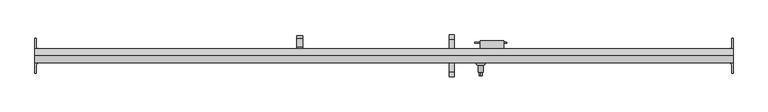
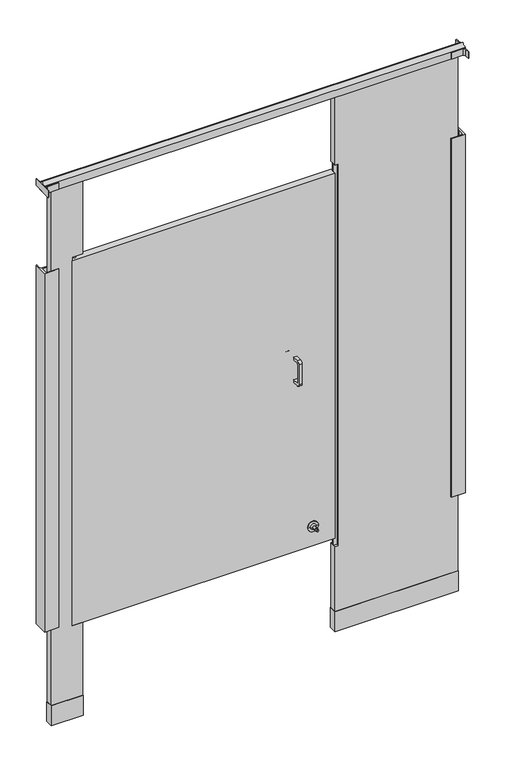
"""IFC4 building model written with IfcOpenShell, lengths in millimetres: proxy geometry."""

from ifc_helpers import new_model, si_unit, point, frame, frame_2d, origin, origin_with_axes, place, context, project, spatial, polyline, circle_curve, ellipse_curve, trimmed, segment, composite_curve, outline, extrude, source, transform, mapped, element, save
from ifc_brep_helpers import plane_surface, cylinder_surface, revolved_surface, advanced_brep


def specialty_equipment_47255b2a(model_context):
    return source(origin(), model_context, "Body", "SolidModel", [
        extrude(outline(composite_curve([segment(trimmed(circle_curve(frame_2d((307.0354547, -1533.525)), 4.1602747), [point((311.1957294, -1533.525))], [point((302.87518, -1533.525))], False, "CARTESIAN"), True, "CONTINUOUS"), segment(trimmed(circle_curve(frame_2d((307.0354547, -1533.525)), 4.1602747), [point((302.87518, -1533.525))], [point((311.1957294, -1533.525))], False, "CARTESIAN"), True, "CONTINUOUS")], self_intersect=False)), frame((0.0, 0.0, 1752.6), z_axis=(0.0, 0.0, 1.0), x_axis=(1.0, 0.0, 0.0)), (0.0, 0.0, 1.0), 12.7),
        extrude(outline(polyline([(1220.2932592, -1506.2050203), (1150.2733709, -1506.2050203), (1150.2733709, -1503.2324847), (1220.2932592, -1503.2324847), (1220.2932592, -1506.2050203)])), frame((0.0, 0.0, 1041.4), z_axis=(0.0, 0.0, 1.0), x_axis=(1.0, 0.0, 0.0)), (0.0, 0.0, 1.0), 25.4),
        extrude(outline(composite_curve([segment(trimmed(circle_curve(frame_2d((-1497.9641724, 1092.2)), 10.16), [point((-1497.9641724, 1102.36))], [point((-1487.8041724, 1092.2))], False, "CARTESIAN"), True, "CONTINUOUS"), segment(polyline([(-1487.8041724, 1092.2), (-1487.8041724, 1016.0)]), True, "CONTINUOUS"), segment(trimmed(circle_curve(frame_2d((-1497.9641724, 1016.0)), 10.16), [point((-1487.8041724, 1016.0))], [point((-1497.9641724, 1005.84))], False, "CARTESIAN"), True, "CONTINUOUS"), segment(polyline([(-1497.9641724, 1005.84), (-1520.8241724, 1005.84), (-1520.8241724, 1016.0), (-1497.9641724, 1016.0)]), True, "CONTINUOUS"), segment(trimmed(circle_curve(frame_2d((-1497.9641724, 1018.54)), 2.54), [point((-1497.9641724, 1016.0))], [point((-1495.4241724, 1018.54))], True, "CARTESIAN"), True, "CONTINUOUS"), segment(polyline([(-1495.4241724, 1018.54), (-1495.4241724, 1089.66)]), True, "CONTINUOUS"), segment(trimmed(circle_curve(frame_2d((-1497.9641724, 1089.66)), 2.54), [point((-1495.4241724, 1089.66))], [point((-1497.9641724, 1092.2))], True, "CARTESIAN"), True, "CONTINUOUS"), segment(polyline([(-1497.9641724, 1092.2), (-1520.8241724, 1092.2), (-1520.8241724, 1102.36), (-1497.9641724, 1102.36)]), True, "CONTINUOUS")], self_intersect=False)), frame((1094.4120131, 0.0, 0.0), z_axis=(1.0, 0.0, 0.0), x_axis=(0.0, 1.0, 0.0)), (0.0, 0.0, 1.0), 11.4113578),
        extrude(outline(composite_curve([segment(polyline([(-1569.085, 1102.36), (-1546.225, 1102.36), (-1546.225, 1092.2), (-1569.085, 1092.2)]), True, "CONTINUOUS"), segment(trimmed(circle_curve(frame_2d((-1569.085, 1089.66)), 2.54), [point((-1569.085, 1092.2))], [point((-1571.625, 1089.66))], True, "CARTESIAN"), True, "CONTINUOUS"), segment(polyline([(-1571.625, 1089.66), (-1571.625, 1018.54)]), True, "CONTINUOUS"), segment(trimmed(circle_curve(frame_2d((-1569.085, 1018.54)), 2.54), [point((-1571.625, 1018.54))], [point((-1569.085, 1016.0))], True, "CARTESIAN"), True, "CONTINUOUS"), segment(polyline([(-1569.085, 1016.0), (-1546.225, 1016.0), (-1546.225, 1005.84), (-1569.085, 1005.84)]), True, "CONTINUOUS"), segment(trimmed(circle_curve(frame_2d((-1569.085, 1016.0)), 10.16), [point((-1569.085, 1005.84))], [point((-1579.245, 1016.0))], False, "CARTESIAN"), True, "CONTINUOUS"), segment(polyline([(-1579.245, 1016.0), (-1579.245, 1092.2)]), True, "CONTINUOUS"), segment(trimmed(circle_curve(frame_2d((-1569.085, 1092.2)), 10.16), [point((-1579.245, 1092.2))], [point((-1569.085, 1102.36))], False, "CARTESIAN"), True, "CONTINUOUS")], self_intersect=False)), frame((1094.4120131, 0.0, 0.0), z_axis=(1.0, 0.0, 0.0), x_axis=(0.0, 1.0, 0.0)), (0.0, 0.0, 1.0), 11.4113578),
        extrude(outline(polyline([(-1520.8241724, 1525.7003365), (-1520.8241724, 1576.5003365), (-1514.4741724, 1576.5003365), (-1514.4741724, 1532.0503365), (-1495.4241724, 1532.0503365), (-1495.4241724, 1538.4003365), (-1489.0741724, 1538.4003365), (-1489.0741724, 1525.7003365), (-1520.8241724, 1525.7003365)])), frame((762.0002547, 0.0, 0.0), z_axis=(1.0, 0.0, 0.0), x_axis=(0.0, 1.0, 0.0)), (0.0, 0.0, 1.0), 12.7),
        extrude(outline(composite_curve([segment(trimmed(circle_curve(frame_2d((431.8, 1163.6250547)), 3.4532283), [point((428.3467717, 1163.6250547))], [point((435.2532283, 1163.6250547))], False, "CARTESIAN"), True, "CONTINUOUS"), segment(trimmed(circle_curve(frame_2d((431.8, 1163.6250547)), 3.4532283), [point((435.2532283, 1163.6250547))], [point((428.3467717, 1163.6250547))], False, "CARTESIAN"), True, "CONTINUOUS")], self_intersect=False)), frame((0.0, -1576.705, 0.0), z_axis=(0.0, 1.0, 0.0), x_axis=(0.0, 0.0, 1.0)), (0.0, 0.0, 1.0), 7.62),
        advanced_brep(
        [(1163.6250547, -1546.225, 431.8), (1144.5750547, -1546.225, 431.8), (1182.6750547, -1546.225, 431.8), (1168.7050547, -1569.085, 431.8), (1158.5450547, -1569.085, 431.8), (1163.6250547, -1569.085, 431.8), (1168.7050547, -1553.845, 431.8), (1158.5450547, -1553.845, 431.8), (1173.7850547, -1548.765, 431.8), (1153.4650547, -1548.765, 431.8), (1182.6750547, -1548.765, 431.8), (1144.5750547, -1548.765, 431.8)],
        [
            (0, 1),
            (1, 2, circle_curve(frame((1163.6250547, -1546.225, 431.8), z_axis=(0.0, 1.0, 0.0), x_axis=(-1.0, 0.0, 0.0)), 19.05)),
            (2, 0),
            (2, 1, circle_curve(frame((1163.6250547, -1546.225, 431.8), z_axis=(0.0, 1.0, 0.0), x_axis=(-1.0, 0.0, 0.0)), 19.05)),
            (3, 4, circle_curve(frame((1163.6250547, -1569.085, 431.8), z_axis=(0.0, -1.0, 0.0), x_axis=(-1.0, 0.0, 0.0)), 5.08)),
            (4, 5),
            (5, 3),
            (4, 3, circle_curve(frame((1163.6250547, -1569.085, 431.8), z_axis=(0.0, -1.0, 0.0), x_axis=(-1.0, 0.0, 0.0)), 5.08)),
            (6, 7, circle_curve(frame((1163.6250547, -1553.845, 431.8), z_axis=(0.0, -1.0, 0.0), x_axis=(-1.0, 0.0, 0.0)), 5.08)),
            (7, 4),
            (3, 6),
            (7, 6, circle_curve(frame((1163.6250547, -1553.845, 431.8), z_axis=(0.0, -1.0, 0.0), x_axis=(-1.0, 0.0, 0.0)), 5.08)),
            (8, 9, circle_curve(frame((1163.6250547, -1548.765, 431.8), z_axis=(0.0, -1.0, 0.0), x_axis=(-1.0, 0.0, 0.0)), 10.16)),
            (9, 7, circle_curve(frame((1158.5450547, -1548.765, 431.8), z_axis=(0.0, 0.0, 1.0), x_axis=(0.0, -1.0, 0.0)), 5.08)),
            (6, 8, circle_curve(frame((1168.7050547, -1548.765, 431.8), z_axis=(0.0, 0.0, 1.0), x_axis=(0.0, -1.0, 0.0)), 5.08)),
            (9, 8, circle_curve(frame((1163.6250547, -1548.765, 431.8), z_axis=(0.0, -1.0, 0.0), x_axis=(-1.0, 0.0, 0.0)), 10.16)),
            (10, 11, circle_curve(frame((1163.6250547, -1548.765, 431.8), z_axis=(0.0, -1.0, 0.0), x_axis=(-1.0, 0.0, 0.0)), 19.05)),
            (11, 9),
            (8, 10),
            (11, 10, circle_curve(frame((1163.6250547, -1548.765, 431.8), z_axis=(0.0, -1.0, 0.0), x_axis=(-1.0, 0.0, 0.0)), 19.05)),
            (1, 11),
            (10, 2),
        ],
        [
            plane_surface(frame((1163.6250547, -1546.225, 431.8), z_axis=(0.0, 1.0, 0.0), x_axis=(-1.0, 0.0, 0.0))),
            plane_surface(frame((1163.6250547, -1569.085, 431.8), z_axis=(0.0, -1.0, 0.0), x_axis=(-1.0, 0.0, 0.0))),
            cylinder_surface(frame((1163.6250547, -1590.2047247, 431.8), z_axis=(0.0, 1.0, 0.0), x_axis=(-1.0, 0.0, 0.0)), 5.08),
            revolved_surface(trimmed(ellipse_curve(frame((1158.5450547, -1548.765, 431.8), z_axis=(0.0, 0.0, -1.0), x_axis=(0.0, -1.0, 0.0)), 5.08, 5.08), [point((1158.5450547, -1553.845, 431.8))], [point((1153.4650547, -1548.765, 431.8))], True, "CARTESIAN"), (1163.6250547, -1590.2047247, 431.8), (0.0, 1.0, 0.0)),
            plane_surface(frame((1163.6250547, -1548.765, 431.8), z_axis=(0.0, -1.0, 0.0), x_axis=(-1.0, 0.0, 0.0))),
            cylinder_surface(frame((1163.6250547, -1590.2047247, 431.8), z_axis=(0.0, 1.0, 0.0), x_axis=(-1.0, 0.0, 0.0)), 19.05),
        ],
        [
            (0, [[1, 2, 3]]),
            (0, [[-3, 4, -1]]),
            (1, [[5, 6, 7]]),
            (1, [[8, -7, -6]]),
            (2, [[9, 10, -5, 11]]),
            (2, [[12, -11, -8, -10]]),
            (3, [[13, 14, -9, 15]]),
            (3, [[16, -15, -12, -14]]),
            (4, [[17, 18, -13, 19]]),
            (4, [[20, -19, -16, -18]]),
            (5, [[-2, 21, -17, 22]]),
            (5, [[-4, -22, -20, -21]]),
        ],
    ),
        extrude(outline(polyline([(1214.4250547, -1520.8241724), (1162.9733709, -1520.8241724), (1162.9733709, -1500.7465532), (1214.4250547, -1500.7465532), (1214.4250547, -1520.8241724)])), frame((0.0, 0.0, 1003.3), z_axis=(0.0, 0.0, 1.0), x_axis=(1.0, 0.0, 0.0)), (0.0, 0.0, 1.0), 101.6),
        extrude(outline(composite_curve([segment(polyline([(190.5002547, -1495.425), (193.0402547, -1495.425), (193.0402547, -1511.935)]), True, "CONTINUOUS"), segment(trimmed(circle_curve(frame_2d((199.3902547, -1511.935)), 6.35), [point((193.0402547, -1511.935))], [point((199.3902547, -1518.285))], True, "CARTESIAN"), True, "CONTINUOUS"), segment(polyline([(199.3902547, -1518.285), (241.3002547, -1518.285), (241.3002547, -1520.825), (197.4480735, -1520.825), (197.4480735, -1546.225), (241.3002547, -1546.225), (241.3002547, -1548.765), (199.3902547, -1548.765)]), True, "CONTINUOUS"), segment(trimmed(circle_curve(frame_2d((199.3902547, -1555.115)), 6.35), [point((199.3902547, -1548.765))], [point((193.0402547, -1555.115))], True, "CARTESIAN"), True, "CONTINUOUS"), segment(polyline([(193.0402547, -1555.115), (193.0402547, -1571.625), (190.5002547, -1571.625), (190.5002547, -1495.425)]), True, "CONTINUOUS")], self_intersect=False)), frame((0.0, 0.0, 2044.7), z_axis=(0.0, 0.0, 1.0), x_axis=(1.0, 0.0, 0.0)), (0.0, 0.0, 1.0), 25.4),
        extrude(outline(composite_curve([segment(polyline([(1714.5002547, -1571.625), (1711.9602547, -1571.625), (1711.9602547, -1555.115)]), True, "CONTINUOUS"), segment(trimmed(circle_curve(frame_2d((1705.6102547, -1555.115)), 6.35), [point((1711.9602547, -1555.115))], [point((1705.6102547, -1548.765))], True, "CARTESIAN"), True, "CONTINUOUS"), segment(polyline([(1705.6102547, -1548.765), (1663.7002547, -1548.765), (1663.7002547, -1546.225), (1707.5524359, -1546.225), (1707.5524359, -1520.825), (1663.7002547, -1520.825), (1663.7002547, -1518.285), (1705.6102547, -1518.285)]), True, "CONTINUOUS"), segment(trimmed(circle_curve(frame_2d((1705.6102547, -1511.935)), 6.35), [point((1705.6102547, -1518.285))], [point((1711.9602547, -1511.935))], True, "CARTESIAN"), True, "CONTINUOUS"), segment(polyline([(1711.9602547, -1511.935), (1711.9602547, -1495.425), (1714.5002547, -1495.425), (1714.5002547, -1571.625)]), True, "CONTINUOUS")], self_intersect=False)), frame((0.0, 0.0, 2044.7), z_axis=(0.0, 0.0, 1.0), x_axis=(1.0, 0.0, 0.0)), (0.0, 0.0, 1.0), 25.4),
        extrude(outline(composite_curve([segment(polyline([(1714.5002547, -1495.425), (1714.5002547, -1548.765), (1663.7002547, -1548.765), (1663.7002547, -1546.225), (1707.5524359, -1546.225), (1707.5524359, -1520.825), (1663.7002547, -1520.825), (1663.7002547, -1518.285), (1705.6102547, -1518.285)]), True, "CONTINUOUS"), segment(trimmed(circle_curve(frame_2d((1705.6102547, -1511.935)), 6.35), [point((1705.6102547, -1518.285))], [point((1711.9602547, -1511.935))], True, "CARTESIAN"), True, "CONTINUOUS"), segment(polyline([(1711.9602547, -1511.935), (1711.9602547, -1495.425), (1714.5002547, -1495.425)]), True, "CONTINUOUS")], self_intersect=False)), frame((0.0, 0.0, 368.3), z_axis=(0.0, 0.0, 1.0), x_axis=(1.0, 0.0, 0.0)), (0.0, 0.0, 1.0), 1371.6),
        extrude(outline(composite_curve([segment(polyline([(190.5002547, -1495.425), (193.0402547, -1495.425), (193.0402547, -1511.935)]), True, "CONTINUOUS"), segment(trimmed(circle_curve(frame_2d((199.3902547, -1511.935)), 6.35), [point((193.0402547, -1511.935))], [point((199.3902547, -1518.285))], True, "CARTESIAN"), True, "CONTINUOUS"), segment(polyline([(199.3902547, -1518.285), (241.3002547, -1518.285), (241.3002547, -1520.825), (197.4480735, -1520.825), (197.4480735, -1546.225), (241.3002547, -1546.225), (241.3002547, -1548.765), (190.5002547, -1548.765), (190.5002547, -1495.425)]), True, "CONTINUOUS")], self_intersect=False)), frame((0.0, 0.0, 368.3), z_axis=(0.0, 0.0, 1.0), x_axis=(1.0, 0.0, 0.0)), (0.0, 0.0, 1.0), 1371.6),
        extrude(outline(polyline([(214.9858547, -1519.9106), (331.1146547, -1519.9106), (331.1146547, -1547.1394), (214.9858547, -1547.1394), (214.9858547, -1519.9106)])), origin_with_axes(), (0.0, 0.0, 1.0), 76.2),
        extrude(outline(polyline([(1243.6858547, -1519.9106), (1690.0146547, -1519.9106), (1690.0146547, -1547.1394), (1243.6858547, -1547.1394), (1243.6858547, -1519.9106)])), origin_with_axes(), (0.0, 0.0, 1.0), 76.2),
        extrude(outline(polyline([(1244.6002547, -1530.35), (1257.3002547, -1530.35), (1257.3002547, -1536.7), (1244.6002547, -1536.7), (1244.6002547, -1530.35)])), frame((0.0, 0.0, 323.85), z_axis=(0.0, 0.0, 1.0), x_axis=(1.0, 0.0, 0.0)), (0.0, 0.0, 1.0), 1460.5),
        extrude(outline(polyline([(1244.6002547, -1546.225), (292.1002547, -1546.225), (292.1002547, -1520.825), (1244.6002547, -1520.825), (1244.6002547, -1546.225)])), frame((0.0, 0.0, 355.6), z_axis=(0.0, 0.0, 1.0), x_axis=(1.0, 0.0, 0.0)), (0.0, 0.0, 1.0), 1397.0),
        extrude(outline(polyline([(2063.75, 1689.1002547), (2063.75, 1244.6002547), (1784.35, 1244.6002547), (1784.35, 1257.3002547), (323.85, 1257.3002547), (323.85, 1244.6002547), (0.0, 1244.6002547), (0.0, 1689.1002547), (2063.75, 1689.1002547)])), frame((0.0, -1546.225, 0.0), z_axis=(0.0, 1.0, 0.0), x_axis=(0.0, 0.0, 1.0)), (0.0, 0.0, 1.0), 25.4),
        extrude(outline(polyline([(2063.75, 330.2002547), (2063.75, 215.9002547), (0.0, 215.9002547), (0.0, 330.2002547), (355.6, 330.2002547), (355.6, 292.1002547), (1765.3, 292.1002547), (1765.3, 330.2002547), (2063.75, 330.2002547)])), frame((0.0, -1546.225, 0.0), z_axis=(0.0, 1.0, 0.0), x_axis=(0.0, 0.0, 1.0)), (0.0, 0.0, 1.0), 25.4),
        extrude(outline(composite_curve([segment(polyline([(-1548.511, 2044.7), (-1548.511, 2073.275)]), True, "CONTINUOUS"), segment(trimmed(circle_curve(frame_2d((-1550.0589964, 2092.262001)), 19.05), [point((-1548.511, 2073.275))], [point((-1533.525, 2082.8))], True, "CARTESIAN"), True, "CONTINUOUS"), segment(trimmed(circle_curve(frame_2d((-1516.9910036, 2092.262001)), 19.05), [point((-1533.525, 2082.8))], [point((-1518.539, 2073.275))], True, "CARTESIAN"), True, "CONTINUOUS"), segment(polyline([(-1518.539, 2073.275), (-1518.539, 2044.7), (-1548.511, 2044.7)]), True, "CONTINUOUS")], self_intersect=False)), frame((190.5002547, 0.0, 0.0), z_axis=(1.0, 0.0, 0.0), x_axis=(0.0, 1.0, 0.0)), (0.0, 0.0, 1.0), 1524.0),
    ])


if __name__ == "__main__":
    model = new_model("IFC4")
    model_context = context("Model", 3, world=origin())
    ifc_project = project(units=[si_unit("LENGTHUNIT", "METRE", prefix="MILLI")], contexts=[model_context])
    site = spatial("IfcSite", under=ifc_project)
    building = spatial("IfcBuilding", under=site)
    placement = place(None, origin())
    specialty_equipment_shape = specialty_equipment_47255b2a(model_context)
    element("IfcBuildingElementProxy", 1, Name="Specialty Equipment", at=placement, inside=building, context=model_context, shape_type="MappedRepresentation", body=[
        mapped(specialty_equipment_shape, transform((0.0, 0.0, 0.0), x_axis=(1.0, 0.0, 0.0), y_axis=(0.0, 1.0, 0.0), z_axis=(0.0, 0.0, 1.0))),
    ])
    save(model, "model.ifc")
